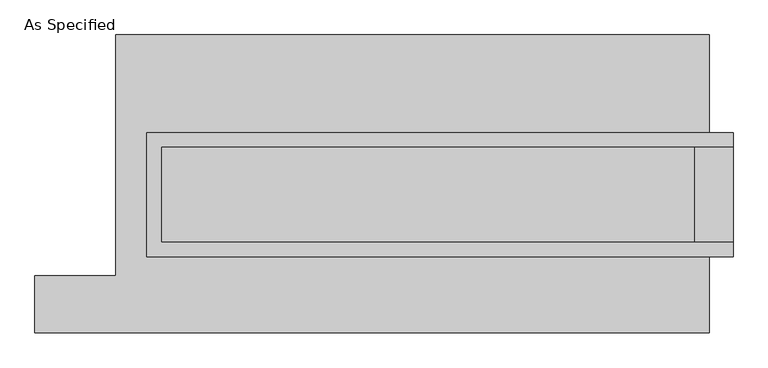
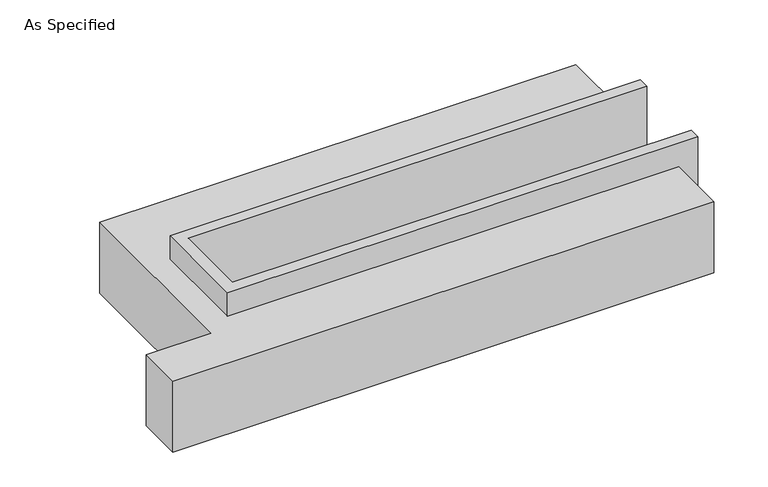
"""IFC4 building model written with IfcOpenShell, lengths in millimetres: proxy geometry, As Specified."""

from ifc_helpers import new_model, si_unit, origin, place, context, project, spatial, faceted_brep, source, transform, mapped, element, save


def as_specified_b48a31cc(model_context):
    return source(origin(), model_context, "Body", "Brep", [
        faceted_brep([(-1416.05, 273.05, 139.7), (-1416.05, 273.05, -393.7), (-1416.05, 196.85, -393.7), (-1416.05, 196.85, -25.4), (-1416.05, -311.15, -25.4), (-1416.05, -311.15, -393.7), (-1416.05, -387.35, -393.7), (-1416.05, -387.35, 139.7), (1708.15, 196.85, 139.7), (1708.15, 196.85, -317.5), (1708.15, -311.15, -317.5), (1708.15, -311.15, 139.7), (1708.15, -387.35, 139.7), (1708.15, -387.35, -393.7), (1708.15, 273.05, -393.7), (1708.15, 273.05, 139.7), (-1339.85, -311.15, 139.7), (-1339.85, 196.85, 139.7), (1504.95, -311.15, -393.7), (1504.95, 196.85, -393.7), (1504.95, -311.15, -317.5), (-1339.85, -311.15, -25.4), (1504.95, 196.85, -317.5), (-1339.85, 196.85, -25.4)], [[[0, 1, 2, 3, 4, 5, 6, 7]], [[8, 9, 10, 11, 12, 13, 14, 15]], [[0, 7, 12, 11, 16, 17, 8, 15]], [[1, 0, 15, 14]], [[14, 13, 6, 5, 18, 19, 2, 1]], [[7, 6, 13, 12]], [[11, 10, 20, 18, 5, 4, 21, 16]], [[10, 9, 22, 20]], [[9, 8, 17, 23, 3, 2, 19, 22]], [[18, 20, 22, 19]], [[23, 21, 4, 3]], [[17, 16, 21, 23]]]),
        faceted_brep([(-1581.15, 793.75, -523.9742188), (1581.15, 793.75, -523.9742188), (1581.15, -793.75, -523.9742188), (-2012.95, -793.75, -523.9742188), (-2012.95, -488.95, -523.9742188), (-1581.15, -488.95, -523.9742188), (1581.15, 793.75, -25.4), (-1581.15, 793.75, -25.4), (-1581.15, -488.95, -25.4), (-2012.95, -488.95, -25.4), (-2012.95, -793.75, -25.4), (1581.15, -793.75, -25.4), (1581.15, -387.35, -25.4), (-1416.05, -387.35, -25.4), (-1416.05, 273.05, -25.4), (1581.15, 273.05, -25.4), (1581.15, 273.05, -393.7), (1581.15, -387.35, -393.7), (-1416.05, -387.35, -393.7), (-1416.05, 273.05, -393.7)], [[[0, 1, 2, 3, 4, 5]], [[6, 7, 8, 9, 10, 11, 12, 13, 14, 15]], [[1, 0, 7, 6]], [[7, 0, 5, 8]], [[1, 6, 15, 16, 17, 12, 11, 2]], [[3, 2, 11, 10]], [[18, 19, 14, 13]], [[14, 19, 16, 15]], [[19, 18, 17, 16]], [[18, 13, 12, 17]], [[5, 4, 9, 8]], [[4, 3, 10, 9]]]),
    ])


if __name__ == "__main__":
    model = new_model("IFC4")
    model_context = context("Model", 3, world=origin())
    ifc_project = project(units=[si_unit("LENGTHUNIT", "METRE", prefix="MILLI")], contexts=[model_context])
    site = spatial("IfcSite", under=ifc_project)
    building = spatial("IfcBuilding", under=site)
    placement = place(None, origin())
    as_specified_shape = as_specified_b48a31cc(model_context)
    element("IfcBuildingElementProxy", 1, Name="As Specified", ObjectType="As Specified", at=placement, inside=building, context=model_context, shape_type="MappedRepresentation", body=[
        mapped(as_specified_shape, transform((0.0, 0.0, 0.0), x_axis=(1.0, 0.0, 0.0), y_axis=(0.0, 1.0, 0.0), z_axis=(0.0, 0.0, 1.0))),
    ])
    save(model, "model.ifc")
